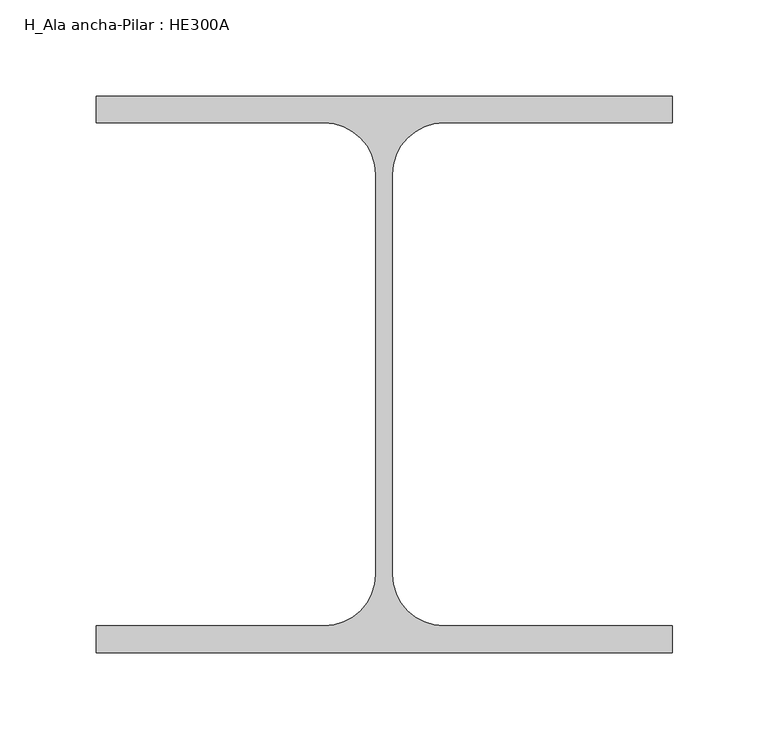
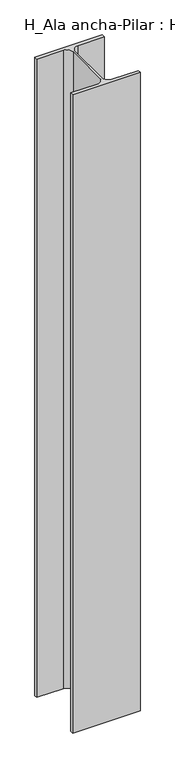
"""IFC4 building model written with IfcOpenShell, lengths in millimetres: column geometry, H_Ala ancha-Pilar : HE300A."""

from ifc_helpers import new_model, si_unit, point, frame_2d, origin, origin_with_axes, place, context, project, spatial, polyline, circle_curve, trimmed, segment, composite_curve, outline, extrude, source, transform, mapped, element, save


def h_ala_ancha_pilar_he300a_e66ed3b0(model_context):
    return source(origin(), model_context, "Body", "SweptSolid", [
        extrude(outline(composite_curve([segment(polyline([(150.0, 145.0), (150.0, 131.0), (31.25, 131.0)]), True, "CONTINUOUS"), segment(trimmed(circle_curve(frame_2d((31.25, 104.0)), 27.0), [point((31.25, 131.0))], [point((4.25, 104.0))], True, "CARTESIAN"), True, "CONTINUOUS"), segment(polyline([(4.25, 104.0), (4.25, -104.0)]), True, "CONTINUOUS"), segment(trimmed(circle_curve(frame_2d((31.25, -104.0)), 27.0), [point((4.25, -104.0))], [point((31.25, -131.0))], True, "CARTESIAN"), True, "CONTINUOUS"), segment(polyline([(31.25, -131.0), (150.0, -131.0), (150.0, -145.0), (-150.0, -145.0), (-150.0, -131.0), (-31.25, -131.0)]), True, "CONTINUOUS"), segment(trimmed(circle_curve(frame_2d((-31.25, -104.0)), 27.0), [point((-31.25, -131.0))], [point((-4.25, -104.0))], True, "CARTESIAN"), True, "CONTINUOUS"), segment(polyline([(-4.25, -104.0), (-4.25, 104.0)]), True, "CONTINUOUS"), segment(trimmed(circle_curve(frame_2d((-31.25, 104.0)), 27.0), [point((-4.25, 104.0))], [point((-31.25, 131.0))], True, "CARTESIAN"), True, "CONTINUOUS"), segment(polyline([(-31.25, 131.0), (-150.0, 131.0), (-150.0, 145.0), (150.0, 145.0)]), True, "CONTINUOUS")], self_intersect=False)), origin_with_axes(), (0.0, 0.0, 1.0), 3000.0),
    ])


if __name__ == "__main__":
    model = new_model("IFC4")
    model_context = context("Model", 3, world=origin())
    ifc_project = project(units=[si_unit("LENGTHUNIT", "METRE", prefix="MILLI")], contexts=[model_context])
    site = spatial("IfcSite", under=ifc_project)
    building = spatial("IfcBuilding", under=site)
    placement = place(None, origin())
    h_ala_ancha_pilar_he300a_shape = h_ala_ancha_pilar_he300a_e66ed3b0(model_context)
    element("IfcColumn", 1, ObjectType="H_Ala ancha-Pilar : HE300A", at=placement, inside=building, context=model_context, shape_type="MappedRepresentation", body=[
        mapped(h_ala_ancha_pilar_he300a_shape, transform((0.0, 0.0, 0.0), x_axis=(1.0, 0.0, 0.0), y_axis=(0.0, 1.0, 0.0), z_axis=(0.0, 0.0, 1.0))),
    ])
    save(model, "model.ifc")
